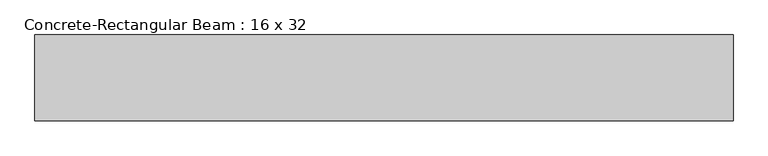
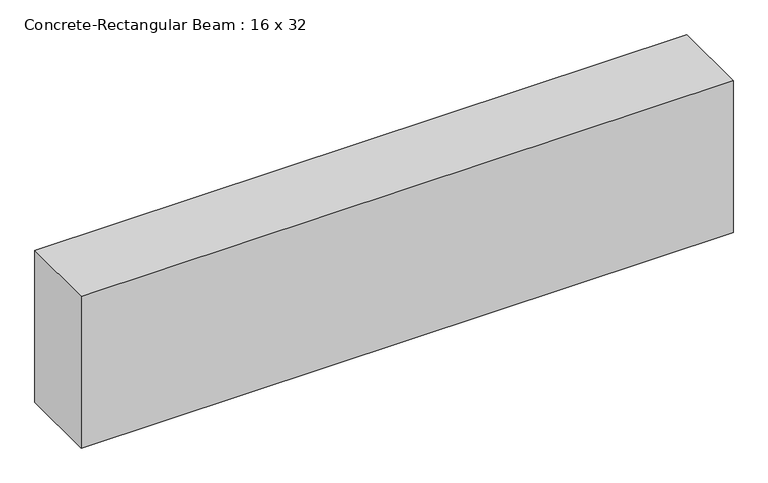
"""IFC4 building model written with IfcOpenShell, lengths in millimetres: beam geometry, Concrete-Rectangular Beam : 16 x 32."""

from ifc_helpers import new_model, si_unit, frame, origin, place, context, project, spatial, polyline, outline, extrude, source, transform, mapped, element, save


def concrete_rectangular_beam_16_x_32_c4da63a2(model_context):
    return source(origin(), model_context, "Body", "SweptSolid", [
        extrude(outline(polyline([(1651.0, 203.2), (1651.0, -203.2), (-1651.0, -203.2), (-1651.0, 203.2), (1651.0, 203.2)])), frame((0.0, 0.0, -406.4), z_axis=(0.0, 0.0, 1.0), x_axis=(1.0, 0.0, 0.0)), (0.0, 0.0, 1.0), 812.8),
    ])


if __name__ == "__main__":
    model = new_model("IFC4")
    model_context = context("Model", 3, world=origin())
    ifc_project = project(units=[si_unit("LENGTHUNIT", "METRE", prefix="MILLI")], contexts=[model_context])
    site = spatial("IfcSite", under=ifc_project)
    building = spatial("IfcBuilding", under=site)
    placement = place(None, origin())
    concrete_rectangular_beam_16_x_32_shape = concrete_rectangular_beam_16_x_32_c4da63a2(model_context)
    element("IfcBeam", 1, ObjectType="Concrete-Rectangular Beam : 16 x 32", at=placement, inside=building, context=model_context, shape_type="MappedRepresentation", body=[
        mapped(concrete_rectangular_beam_16_x_32_shape, transform((0.0, 0.0, 0.0), x_axis=(1.0, 0.0, 0.0), y_axis=(0.0, 1.0, 0.0), z_axis=(0.0, 0.0, 1.0))),
    ])
    save(model, "model.ifc")
